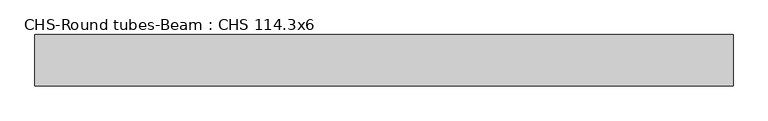
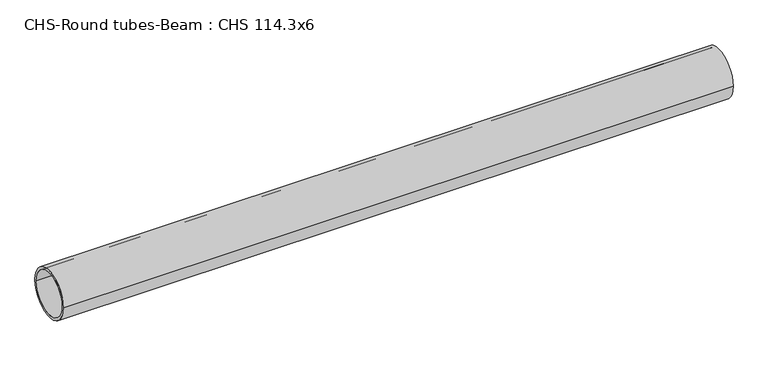
"""IFC4 building model written with IfcOpenShell, lengths in millimetres: beam geometry, CHS-Round tubes-Beam : CHS 114.3x6."""

from ifc_helpers import new_model, si_unit, point, frame, origin, origin_2d, place, context, project, spatial, circle_curve, trimmed, segment, composite_curve, outline, extrude, source, transform, mapped, element, save


def chs_round_tubes_beam_chs_114_3x6_fb00a600(model_context):
    return source(origin(), model_context, "Body", "SweptSolid", [
        extrude(outline(composite_curve([segment(trimmed(circle_curve(origin_2d(), 57.15), [point((57.15, 0.0))], [point((-57.15, 0.0))], False, "CARTESIAN"), True, "CONTINUOUS"), segment(trimmed(circle_curve(origin_2d(), 57.15), [point((-57.15, 0.0))], [point((57.15, 0.0))], False, "CARTESIAN"), True, "CONTINUOUS")], self_intersect=False), holes=[composite_curve([segment(trimmed(circle_curve(origin_2d(), 51.15), [point((51.15, 0.0))], [point((-51.15, 0.0))], True, "CARTESIAN"), True, "CONTINUOUS"), segment(trimmed(circle_curve(origin_2d(), 51.15), [point((-51.15, 0.0))], [point((51.15, 0.0))], True, "CARTESIAN"), True, "CONTINUOUS")], self_intersect=False)]), frame((-752.0498922, 0.0, 0.0), z_axis=(1.0, 0.0, 0.0), x_axis=(0.0, 1.0, 0.0)), (0.0, 0.0, 1.0), 1556.4844171),
    ])


if __name__ == "__main__":
    model = new_model("IFC4")
    model_context = context("Model", 3, world=origin())
    ifc_project = project(units=[si_unit("LENGTHUNIT", "METRE", prefix="MILLI")], contexts=[model_context])
    site = spatial("IfcSite", under=ifc_project)
    building = spatial("IfcBuilding", under=site)
    placement = place(None, origin())
    chs_round_tubes_beam_chs_114_3x6_shape = chs_round_tubes_beam_chs_114_3x6_fb00a600(model_context)
    element("IfcBeam", 1, ObjectType="CHS-Round tubes-Beam : CHS 114.3x6", at=placement, inside=building, context=model_context, shape_type="MappedRepresentation", body=[
        mapped(chs_round_tubes_beam_chs_114_3x6_shape, transform((0.0, 0.0, 0.0), x_axis=(1.0, 0.0, 0.0), y_axis=(0.0, 1.0, 0.0), z_axis=(0.0, 0.0, 1.0))),
    ])
    save(model, "model.ifc")
